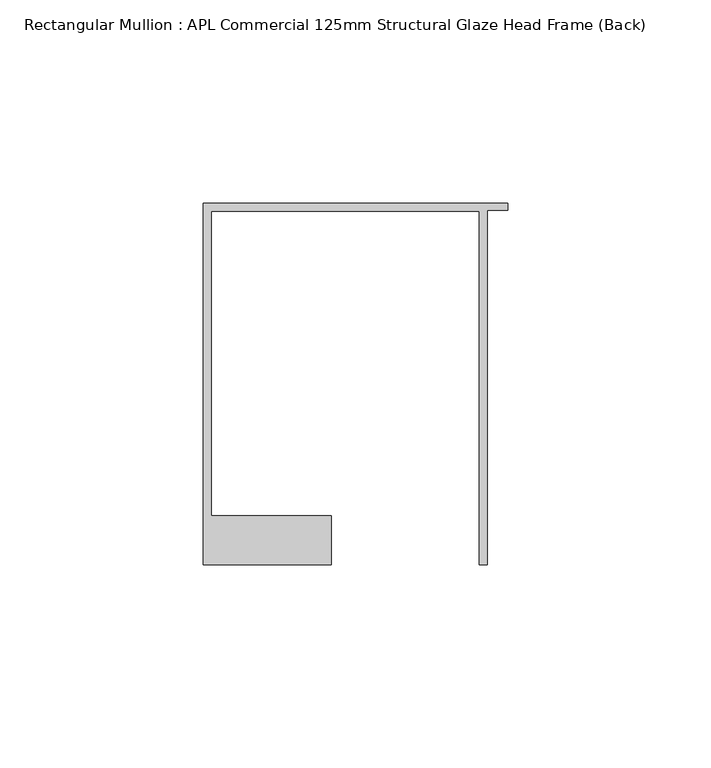
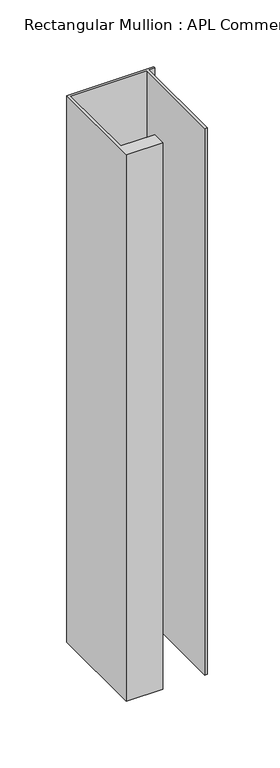
"""IFC4 building model written with IfcOpenShell, lengths in millimetres: member geometry, Rectangular Mullion : APL Commercial 125mm Structural Glaze Head Frame (Back)."""

from ifc_helpers import new_model, si_unit, frame, origin, place, context, project, spatial, polyline, outline, extrude, source, transform, mapped, element, save


def rectangular_mullion_apl_commercial_125mm_structural_glaze_37193048(model_context):
    return source(origin(), model_context, "Body", "SweptSolid", [
        extrude(outline(polyline([(-75.0, 103.9993063), (0.0, 103.9993063), (0.0, 102.1993063), (-5.0, 102.1993063), (-5.0, 14.9998342), (-7.0, 14.9998342), (-7.0, 101.9993063), (-73.0, 101.9993063), (-73.0, 26.9997514), (-43.5000151, 26.9997514), (-43.5000151, 14.9998342), (-75.0, 14.9998342), (-75.0, 103.9993063)])), frame((0.0, 0.0, -499.5829221), z_axis=(0.0, 0.0, 1.0), x_axis=(1.0, 0.0, 0.0)), (0.0, 0.0, 1.0), 499.5829221),
    ])


if __name__ == "__main__":
    model = new_model("IFC4")
    model_context = context("Model", 3, world=origin())
    ifc_project = project(units=[si_unit("LENGTHUNIT", "METRE", prefix="MILLI")], contexts=[model_context])
    site = spatial("IfcSite", under=ifc_project)
    building = spatial("IfcBuilding", under=site)
    placement = place(None, origin())
    rectangular_mullion_apl_commercial_125mm_structural_glaze_shape = rectangular_mullion_apl_commercial_125mm_structural_glaze_37193048(model_context)
    element("IfcMember", 1, ObjectType="Rectangular Mullion : APL Commercial 125mm Structural Glaze Head Frame (Back)", at=placement, inside=building, context=model_context, shape_type="MappedRepresentation", body=[
        mapped(rectangular_mullion_apl_commercial_125mm_structural_glaze_shape, transform((0.0, 0.0, 0.0), x_axis=(1.0, 0.0, 0.0), y_axis=(0.0, 1.0, 0.0), z_axis=(0.0, 0.0, 1.0))),
    ])
    save(model, "model.ifc")
